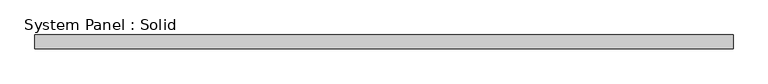
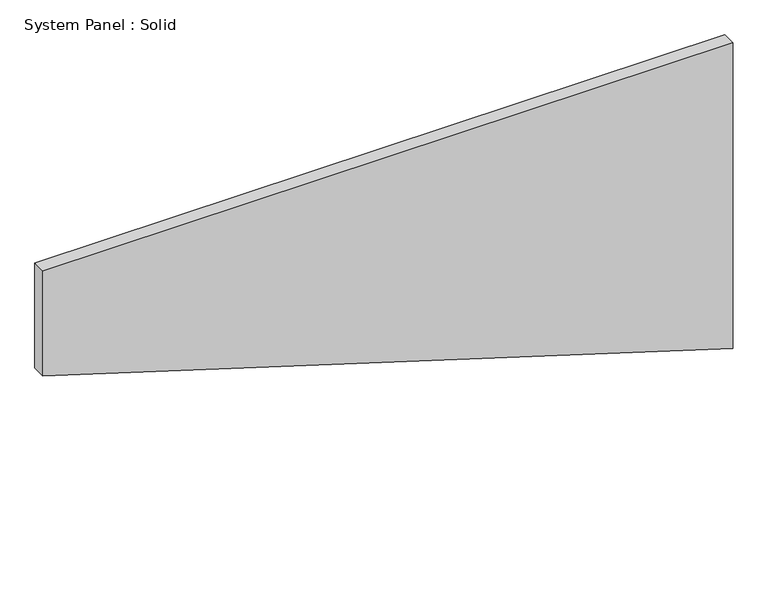
"""IFC4 building model written with IfcOpenShell, lengths in millimetres: plate geometry, System Panel : Solid."""

from ifc_helpers import new_model, si_unit, frame, origin, place, context, project, spatial, polyline, outline, extrude, source, transform, mapped, element, save


def system_panel_solid_6c62df16(model_context):
    return source(origin(), model_context, "Body", "SweptSolid", [
        extrude(outline(polyline([(923.4646628, -1500.0), (0.0, 1500.0), (1404.945716, 1500.0), (1404.945716, -1500.0), (923.4646628, -1500.0)])), frame((0.0, -10.5, 0.0), z_axis=(0.0, 1.0, 0.0), x_axis=(0.0, 0.0, 1.0)), (0.0, 0.0, 1.0), 60.0),
    ])


if __name__ == "__main__":
    model = new_model("IFC4")
    model_context = context("Model", 3, world=origin())
    ifc_project = project(units=[si_unit("LENGTHUNIT", "METRE", prefix="MILLI")], contexts=[model_context])
    site = spatial("IfcSite", under=ifc_project)
    building = spatial("IfcBuilding", under=site)
    placement = place(None, origin())
    system_panel_solid_shape = system_panel_solid_6c62df16(model_context)
    element("IfcPlate", 1, ObjectType="System Panel : Solid", at=placement, inside=building, context=model_context, shape_type="MappedRepresentation", body=[
        mapped(system_panel_solid_shape, transform((0.0, 0.0, 0.0), x_axis=(1.0, 0.0, 0.0), y_axis=(0.0, 1.0, 0.0), z_axis=(0.0, 0.0, 1.0))),
    ])
    save(model, "model.ifc")
